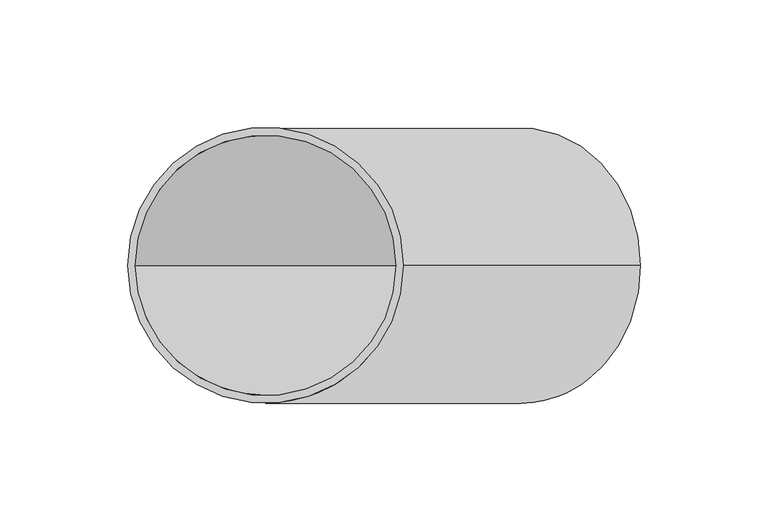
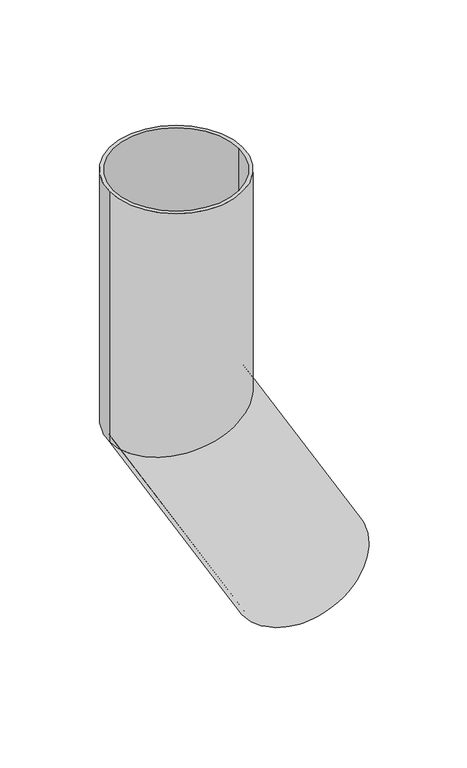
"""IFC4 building model written with IfcOpenShell, lengths in millimetres: beam geometry."""

from ifc_helpers import new_model, si_unit, frame, origin, place, context, project, spatial, polyline, circle_curve, ellipse_curve, source, transform, mapped, element, save
from ifc_brep_helpers import plane_surface, cylinder_surface, revolved_surface, advanced_brep


def beam_163b5d33(model_context):
    return source(origin(), model_context, "Body", "AdvancedBrep", [
        advanced_brep(
        [(146.7653718, 0.0, -346.2050808), (53.2346282, 0.0, -400.2050808), (144.1672956, 0.0, -347.7050808), (55.8327044, 0.0, -398.7050808), (54.0, 0.0, 0.0), (-54.0, 0.0, 0.0), (51.0, 0.0, 0.0), (-51.0, 0.0, 0.0), (51.0, 0.0, -186.3345912), (0.0, -51.0, -200.0), (-51.0, 0.0, -213.6654088), (0.0, 51.0, -200.0), (54.0, 0.0, -185.5307436), (-54.0, 0.0, -214.4692564)],
        [
            (0, 1, circle_curve(frame((100.0, 0.0, -373.2050808), z_axis=(0.5000000000000633, 0.0, -0.8660254037844022), x_axis=(-0.8660254037844022, 0.0, -0.5000000000000633)), 54.0)),
            (1, 0, circle_curve(frame((100.0, 0.0, -373.2050808), z_axis=(0.5000000000000633, 0.0, -0.8660254037844022), x_axis=(-0.8660254037844022, 0.0, -0.5000000000000633)), 54.0)),
            (2, 3, circle_curve(frame((100.0, 0.0, -373.2050808), z_axis=(-0.5000000000000633, 0.0, 0.8660254037844022), x_axis=(-0.8660254037844022, 0.0, -0.5000000000000633)), 51.0)),
            (3, 2, circle_curve(frame((100.0, 0.0, -373.2050808), z_axis=(-0.5000000000000633, 0.0, 0.8660254037844022), x_axis=(-0.8660254037844022, 0.0, -0.5000000000000633)), 51.0)),
            (4, 5, circle_curve(frame((0.0, 0.0, 0.0), z_axis=(0.0, 0.0, 1.0), x_axis=(-1.0, 0.0, 0.0)), 54.0)),
            (5, 4, circle_curve(frame((0.0, 0.0, 0.0), z_axis=(0.0, 0.0, 1.0), x_axis=(-1.0, 0.0, 0.0)), 54.0)),
            (6, 7, circle_curve(frame((0.0, 0.0, 0.0), z_axis=(0.0, 0.0, -1.0), x_axis=(-1.0, 0.0, 0.0)), 51.0)),
            (7, 6, circle_curve(frame((0.0, 0.0, 0.0), z_axis=(0.0, 0.0, -1.0), x_axis=(-1.0, 0.0, 0.0)), 51.0)),
            (6, 8),
            (8, 9, ellipse_curve(frame((0.0, 0.0, -200.0), z_axis=(0.25881904510255604, 0.0, -0.9659258262890589), x_axis=(0.9659258262890589, 0.0, 0.25881904510255593)), 52.7990852, 51.0)),
            (9, 10, ellipse_curve(frame((0.0, 0.0, -200.0), z_axis=(0.25881904510255604, 0.0, -0.9659258262890589), x_axis=(0.9659258262890589, 0.0, 0.25881904510255593)), 52.7990852, 51.0)),
            (10, 7),
            (10, 11, ellipse_curve(frame((0.0, 0.0, -200.0), z_axis=(0.25881904510255604, 0.0, -0.9659258262890589), x_axis=(0.9659258262890589, 0.0, 0.25881904510255593)), 52.7990852, 51.0)),
            (11, 8, ellipse_curve(frame((0.0, 0.0, -200.0), z_axis=(0.25881904510255604, 0.0, -0.9659258262890589), x_axis=(0.9659258262890589, 0.0, 0.25881904510255593)), 52.7990852, 51.0)),
            (4, 12),
            (12, 13, ellipse_curve(frame((0.0, 0.0, -200.0), z_axis=(-0.25881904510255604, 0.0, 0.9659258262890589), x_axis=(-0.9659258262890589, 0.0, -0.25881904510255593)), 55.9049137, 54.0)),
            (13, 5),
            (13, 12, ellipse_curve(frame((0.0, 0.0, -200.0), z_axis=(-0.25881904510255604, 0.0, 0.9659258262890589), x_axis=(-0.9659258262890589, 0.0, -0.25881904510255593)), 55.9049137, 54.0)),
            (2, 8),
            (10, 3),
            (0, 12),
            (13, 1),
        ],
        [
            plane_surface(frame((100.0, 0.0, -373.2050808), z_axis=(0.5000000000000633, 0.0, -0.8660254037844022), x_axis=(0.0, -1.0, 0.0))),
            plane_surface(frame((0.0, 0.0, 0.0), z_axis=(0.0, 0.0, 1.0), x_axis=(0.0, -1.0, 0.0))),
            revolved_surface(polyline([(-51.0, 0.0, 0.0), (-51.0, 0.0, -213.6654088137525)]), (0.0, 0.0, -200.0), (0.0, 0.0, 1.0)),
            cylinder_surface(frame((0.0, 0.0, -200.0), z_axis=(0.0, 0.0, -1.0), x_axis=(-1.0, 0.0, 0.0)), 54.0),
            revolved_surface(polyline([(-51.000000024738355, 0.0, -213.66540881428267), (55.832704408745755, 0.0, -398.70508080303483)]), (100.0, 0.0, -373.2050808), (-0.5000000000000633, 0.0, 0.8660254037844022)),
            cylinder_surface(frame((100.0, 0.0, -373.2050808), z_axis=(0.5000000000000633, 0.0, -0.8660254037844022), x_axis=(-0.8660254037844022, 0.0, -0.5000000000000633)), 54.0),
        ],
        [
            (0, [[1, 2], [3, 4]]),
            (1, [[5, 6], [7, 8]]),
            (2, [[-7, 9, 10, 11, 12]]),
            (2, [[-8, -12, 13, 14, -9]]),
            (3, [[-5, 15, 16, 17]]),
            (3, [[-6, -17, 18, -15]]),
            (4, [[-3, 19, -14, -13, 20]]),
            (4, [[-4, -20, -11, -10, -19]]),
            (5, [[-1, 21, -18, 22]]),
            (5, [[-2, -22, -16, -21]]),
        ],
    ),
    ])


if __name__ == "__main__":
    model = new_model("IFC4")
    model_context = context("Model", 3, world=origin())
    ifc_project = project(units=[si_unit("LENGTHUNIT", "METRE", prefix="MILLI")], contexts=[model_context])
    site = spatial("IfcSite", under=ifc_project)
    building = spatial("IfcBuilding", under=site)
    placement = place(None, origin())
    beam_shape = beam_163b5d33(model_context)
    element("IfcBeam", 1, at=placement, inside=building, context=model_context, shape_type="MappedRepresentation", body=[
        mapped(beam_shape, transform((0.0, 0.0, 0.0), x_axis=(1.0, 0.0, 0.0), y_axis=(0.0, 1.0, 0.0), z_axis=(0.0, 0.0, 1.0))),
    ])
    save(model, "model.ifc")
